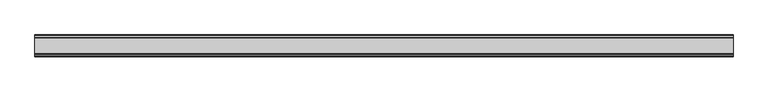
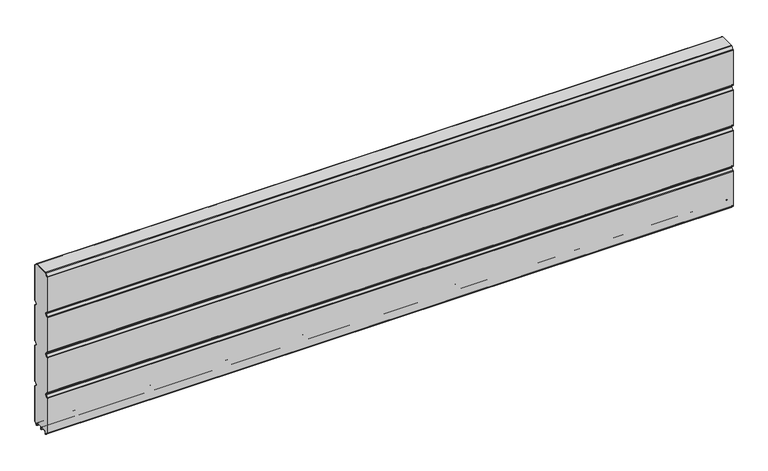
"""IFC4 building model written with IfcOpenShell, lengths in millimetres: plate geometry."""

from ifc_helpers import new_model, si_unit, point, frame, frame_2d, origin, place, context, project, spatial, polyline, circle_curve, trimmed, segment, composite_curve, outline, extrude, source, transform, mapped, element, save


def plate_6662d83f(model_context):
    return source(origin(), model_context, "Body", "SweptSolid", [
        extrude(outline(composite_curve([segment(polyline([(-29.2650466, 451.7624879), (-35.7138292, 458.2112702)]), True, "CONTINUOUS"), segment(trimmed(circle_curve(frame_2d((-34.2991913, 459.6259081)), 2.0006001), [point((-35.7138292, 458.2112702))], [point((-36.2997914, 459.6259081))], False, "CARTESIAN"), True, "CONTINUOUS"), segment(polyline([(-36.2997914, 459.6259081), (-36.2997914, 588.874925)]), True, "CONTINUOUS"), segment(trimmed(circle_curve(frame_2d((-34.3025404, 588.8763112)), 1.9972515), [point((-36.2997914, 588.874925))], [point((-35.7145328, 590.2888589))], False, "CARTESIAN"), True, "CONTINUOUS"), segment(polyline([(-35.7145328, 590.2888589), (-27.7860861, 598.2141893)]), True, "CONTINUOUS"), segment(trimmed(circle_curve(frame_2d((-26.3717262, 596.7992733)), 2.0006002), [point((-27.7860861, 598.2141893))], [point((-26.3717262, 598.7998734))], False, "CARTESIAN"), True, "CONTINUOUS"), segment(polyline([(-26.3717262, 598.7998734), (26.3717262, 598.7998734)]), True, "CONTINUOUS"), segment(trimmed(circle_curve(frame_2d((26.3717262, 596.7992733)), 2.0006002), [point((26.3717262, 598.7998734))], [point((27.7860861, 598.2141893))], False, "CARTESIAN"), True, "CONTINUOUS"), segment(polyline([(27.7860861, 598.2141893), (35.7145328, 590.2888589)]), True, "CONTINUOUS"), segment(trimmed(circle_curve(frame_2d((34.3025404, 588.8763112)), 1.9972515), [point((35.7145328, 590.2888589))], [point((36.2997914, 588.874925))], False, "CARTESIAN"), True, "CONTINUOUS"), segment(polyline([(36.2997914, 588.874925), (36.2997914, 459.6259081)]), True, "CONTINUOUS"), segment(trimmed(circle_curve(frame_2d((34.2991913, 459.6259081)), 2.0006001), [point((36.2997914, 459.6259081))], [point((35.7138292, 458.2112702))], False, "CARTESIAN"), True, "CONTINUOUS"), segment(polyline([(35.7138292, 458.2112702), (29.2650466, 451.7624879)]), True, "CONTINUOUS"), segment(trimmed(circle_curve(frame_2d((31.5325895, 449.4949449)), 3.20679), [point((29.2650466, 451.7624879))], [point((29.114664, 447.3884934))], True, "CARTESIAN"), True, "CONTINUOUS"), segment(polyline([(29.114664, 447.3884934), (35.7138291, 440.7893285)]), True, "CONTINUOUS"), segment(trimmed(circle_curve(frame_2d((34.2991912, 439.3746906)), 2.0006001), [point((35.7138291, 440.7893285))], [point((36.2997913, 439.3746906))], False, "CARTESIAN"), True, "CONTINUOUS"), segment(polyline([(36.2997913, 439.3746906), (36.2997913, 309.6259081)]), True, "CONTINUOUS"), segment(trimmed(circle_curve(frame_2d((34.2991912, 309.6259081)), 2.0006001), [point((36.2997913, 309.6259081))], [point((35.7138291, 308.2112702))], False, "CARTESIAN"), True, "CONTINUOUS"), segment(polyline([(35.7138291, 308.2112702), (29.2650466, 301.7624879)]), True, "CONTINUOUS"), segment(trimmed(circle_curve(frame_2d((31.5325895, 299.4949449)), 3.20679), [point((29.2650466, 301.7624879))], [point((29.4261379, 297.0770195))], True, "CARTESIAN"), True, "CONTINUOUS"), segment(polyline([(29.4261379, 297.0770195), (35.7138291, 290.7893285)]), True, "CONTINUOUS"), segment(trimmed(circle_curve(frame_2d((34.2991912, 289.3746906)), 2.0006001), [point((35.7138291, 290.7893285))], [point((36.2997913, 289.3746906))], False, "CARTESIAN"), True, "CONTINUOUS"), segment(polyline([(36.2997913, 289.3746906), (36.2997913, 159.6246474)]), True, "CONTINUOUS"), segment(trimmed(circle_curve(frame_2d((34.2991912, 159.6246474)), 2.0006001), [point((36.2997913, 159.6246474))], [point((35.7138291, 158.2100095))], False, "CARTESIAN"), True, "CONTINUOUS"), segment(polyline([(35.7138291, 158.2100095), (29.2650466, 151.7612271)]), True, "CONTINUOUS"), segment(trimmed(circle_curve(frame_2d((31.5325895, 149.4936842)), 3.20679), [point((29.2650466, 151.7612271))], [point((29.114664, 147.3872326))], True, "CARTESIAN"), True, "CONTINUOUS"), segment(polyline([(29.114664, 147.3872326), (35.7138292, 140.7880678)]), True, "CONTINUOUS"), segment(trimmed(circle_curve(frame_2d((34.2991912, 139.3734299)), 2.0006001), [point((35.7138292, 140.7880678))], [point((36.2997914, 139.3734299))], False, "CARTESIAN"), True, "CONTINUOUS"), segment(polyline([(36.2997914, 139.3734299), (36.2997914, 10.1250796)]), True, "CONTINUOUS"), segment(trimmed(circle_curve(frame_2d((34.299192, 10.1250796)), 2.0005994), [point((36.2997914, 10.1250796))], [point((35.7138294, 8.7104422))], False, "CARTESIAN"), True, "CONTINUOUS"), segment(polyline([(35.7138294, 8.7104422), (28.7893255, 1.7859383)]), True, "CONTINUOUS"), segment(trimmed(circle_curve(frame_2d((27.3158157, 3.2594482)), 2.0838576), [point((28.7893255, 1.7859383))], [point((25.2327947, 3.2004014))], False, "CARTESIAN"), True, "CONTINUOUS"), segment(polyline([(25.2327947, 3.2004014), (25.2327947, 7.9999453)]), True, "CONTINUOUS"), segment(trimmed(circle_curve(frame_2d((22.0323933, 7.9999453)), 3.2004014), [point((25.2327947, 7.9999453))], [point((22.0323933, 11.2003467))], True, "CARTESIAN"), True, "CONTINUOUS"), segment(polyline([(22.0323933, 11.2003467), (3.1993432, 11.2003467)]), True, "CONTINUOUS"), segment(trimmed(circle_curve(frame_2d((3.1993432, 8.0010035)), 3.1993432), [point((3.1993432, 11.2003467))], [point((0.0, 8.0010035))], True, "CARTESIAN"), True, "CONTINUOUS"), segment(trimmed(circle_curve(frame_2d((-3.1993432, 8.0010035)), 3.1993432), [point((0.0, 8.0010035))], [point((-3.1993432, 11.2003467))], True, "CARTESIAN"), True, "CONTINUOUS"), segment(polyline([(-3.1993432, 11.2003467), (-22.0323933, 11.2003467)]), True, "CONTINUOUS"), segment(trimmed(circle_curve(frame_2d((-22.0323933, 7.9999453)), 3.2004014), [point((-22.0323933, 11.2003467))], [point((-25.2327947, 7.9999453))], True, "CARTESIAN"), True, "CONTINUOUS"), segment(polyline([(-25.2327947, 7.9999453), (-25.2327947, 3.2004014)]), True, "CONTINUOUS"), segment(trimmed(circle_curve(frame_2d((-27.3158157, 3.2594482)), 2.0838576), [point((-25.2327947, 3.2004014))], [point((-28.7893255, 1.7859383))], False, "CARTESIAN"), True, "CONTINUOUS"), segment(polyline([(-28.7893255, 1.7859383), (-35.7138294, 8.7104422)]), True, "CONTINUOUS"), segment(trimmed(circle_curve(frame_2d((-34.299192, 10.1250796)), 2.0005994), [point((-35.7138294, 8.7104422))], [point((-36.2997914, 10.1250796))], False, "CARTESIAN"), True, "CONTINUOUS"), segment(polyline([(-36.2997914, 10.1250796), (-36.2997914, 139.3734299)]), True, "CONTINUOUS"), segment(trimmed(circle_curve(frame_2d((-34.2991912, 139.3734299)), 2.0006001), [point((-36.2997914, 139.3734299))], [point((-35.7138292, 140.7880678))], False, "CARTESIAN"), True, "CONTINUOUS"), segment(polyline([(-35.7138292, 140.7880678), (-29.114664, 147.3872326)]), True, "CONTINUOUS"), segment(trimmed(circle_curve(frame_2d((-31.5325895, 149.4936842)), 3.20679), [point((-29.114664, 147.3872326))], [point((-29.2650466, 151.7612271))], True, "CARTESIAN"), True, "CONTINUOUS"), segment(polyline([(-29.2650466, 151.7612271), (-35.7138291, 158.2100095)]), True, "CONTINUOUS"), segment(trimmed(circle_curve(frame_2d((-34.2991912, 159.6246474)), 2.0006001), [point((-35.7138291, 158.2100095))], [point((-36.2997913, 159.6246474))], False, "CARTESIAN"), True, "CONTINUOUS"), segment(polyline([(-36.2997913, 159.6246474), (-36.2997913, 289.3746906)]), True, "CONTINUOUS"), segment(trimmed(circle_curve(frame_2d((-34.2991912, 289.3746906)), 2.0006001), [point((-36.2997913, 289.3746906))], [point((-35.7138291, 290.7893285))], False, "CARTESIAN"), True, "CONTINUOUS"), segment(polyline([(-35.7138291, 290.7893285), (-29.4261379, 297.0770195)]), True, "CONTINUOUS"), segment(trimmed(circle_curve(frame_2d((-31.5325895, 299.4949449)), 3.20679), [point((-29.4261379, 297.0770195))], [point((-29.2650466, 301.7624879))], True, "CARTESIAN"), True, "CONTINUOUS"), segment(polyline([(-29.2650466, 301.7624879), (-35.7138291, 308.2112702)]), True, "CONTINUOUS"), segment(trimmed(circle_curve(frame_2d((-34.2991912, 309.6259081)), 2.0006001), [point((-35.7138291, 308.2112702))], [point((-36.2997913, 309.6259081))], False, "CARTESIAN"), True, "CONTINUOUS"), segment(polyline([(-36.2997913, 309.6259081), (-36.2997913, 439.3746906)]), True, "CONTINUOUS"), segment(trimmed(circle_curve(frame_2d((-34.2991912, 439.3746906)), 2.0006001), [point((-36.2997913, 439.3746906))], [point((-35.7138291, 440.7893285))], False, "CARTESIAN"), True, "CONTINUOUS"), segment(polyline([(-35.7138291, 440.7893285), (-29.114664, 447.3884934)]), True, "CONTINUOUS"), segment(trimmed(circle_curve(frame_2d((-31.5325895, 449.4949449)), 3.20679), [point((-29.114664, 447.3884934))], [point((-29.2650466, 451.7624879))], True, "CARTESIAN"), True, "CONTINUOUS")], self_intersect=False)), frame((-1205.0558, 0.0, 0.0), z_axis=(1.0, 0.0, 0.0), x_axis=(0.0, 1.0, 0.0)), (0.0, 0.0, 1.0), 2410.1116),
        extrude(outline(composite_curve([segment(trimmed(circle_curve(frame_2d((-34.299418, 588.8742584)), 3.200524), [point((-37.499942, 588.8742584))], [point((-36.5622582, 591.1376426))], False, "CARTESIAN"), True, "CONTINUOUS"), segment(polyline([(-36.5622582, 591.1376426), (-28.6355395, 599.0624563)]), True, "CONTINUOUS"), segment(trimmed(circle_curve(frame_2d((-26.3720296, 596.7984023)), 3.2014711), [point((-28.6355395, 599.0624563))], [point((-26.3720296, 599.9998734))], False, "CARTESIAN"), True, "CONTINUOUS"), segment(polyline([(-26.3720296, 599.9998734), (26.3720296, 599.9998734)]), True, "CONTINUOUS"), segment(trimmed(circle_curve(frame_2d((26.3720296, 596.7984023)), 3.2014711), [point((26.3720296, 599.9998734))], [point((28.6355395, 599.0624563))], False, "CARTESIAN"), True, "CONTINUOUS"), segment(polyline([(28.6355395, 599.0624563), (36.5622582, 591.1376426)]), True, "CONTINUOUS"), segment(trimmed(circle_curve(frame_2d((34.299418, 588.8742584)), 3.200524), [point((36.5622582, 591.1376426))], [point((37.499942, 588.8742584))], False, "CARTESIAN"), True, "CONTINUOUS"), segment(polyline([(37.499942, 588.8742584), (37.499942, 459.6259081)]), True, "CONTINUOUS"), segment(trimmed(circle_curve(frame_2d((34.3010265, 459.6259081)), 3.1989155), [point((37.499942, 459.6259081))], [point((36.5630013, 457.3639333))], False, "CARTESIAN"), True, "CONTINUOUS"), segment(polyline([(36.5630013, 457.3639333), (30.1138303, 450.9147625)]), True, "CONTINUOUS"), segment(trimmed(circle_curve(frame_2d((31.5282934, 449.5002993)), 2.000353), [point((30.1138303, 450.9147625))], [point((30.1138303, 448.0858362))], True, "CARTESIAN"), True, "CONTINUOUS"), segment(polyline([(30.1138303, 448.0858362), (36.5630013, 441.6366654)]), True, "CONTINUOUS"), segment(trimmed(circle_curve(frame_2d((34.3010265, 439.3746906)), 3.1989154), [point((36.5630013, 441.6366654))], [point((37.4999419, 439.3746906))], False, "CARTESIAN"), True, "CONTINUOUS"), segment(polyline([(37.4999419, 439.3746906), (37.4999419, 309.6259081)]), True, "CONTINUOUS"), segment(trimmed(circle_curve(frame_2d((34.3010265, 309.6259081)), 3.1989154), [point((37.4999419, 309.6259081))], [point((36.5630013, 307.3639333))], False, "CARTESIAN"), True, "CONTINUOUS"), segment(polyline([(36.5630013, 307.3639333), (30.1138303, 300.9147625)]), True, "CONTINUOUS"), segment(trimmed(circle_curve(frame_2d((31.5282934, 299.5002993)), 2.000353), [point((30.1138303, 300.9147625))], [point((30.1138303, 298.0858362))], True, "CARTESIAN"), True, "CONTINUOUS"), segment(polyline([(30.1138303, 298.0858362), (36.5630013, 291.6366654)]), True, "CONTINUOUS"), segment(trimmed(circle_curve(frame_2d((34.3010265, 289.3746906)), 3.1989154), [point((36.5630013, 291.6366654))], [point((37.4999419, 289.3746906))], False, "CARTESIAN"), True, "CONTINUOUS"), segment(polyline([(37.4999419, 289.3746906), (37.4999419, 159.6246474)]), True, "CONTINUOUS"), segment(trimmed(circle_curve(frame_2d((34.3010265, 159.6246474)), 3.1989154), [point((37.4999419, 159.6246474))], [point((36.5630013, 157.3626726))], False, "CARTESIAN"), True, "CONTINUOUS"), segment(polyline([(36.5630013, 157.3626726), (30.1138303, 150.9135018)]), True, "CONTINUOUS"), segment(trimmed(circle_curve(frame_2d((31.5282934, 149.4990386)), 2.000353), [point((30.1138303, 150.9135018))], [point((30.1138303, 148.0845755))], True, "CARTESIAN"), True, "CONTINUOUS"), segment(polyline([(30.1138303, 148.0845755), (36.5630013, 141.6354046)]), True, "CONTINUOUS"), segment(trimmed(circle_curve(frame_2d((34.3010265, 139.3734298)), 3.1989154), [point((36.5630013, 141.6354046))], [point((37.4999419, 139.3734298))], False, "CARTESIAN"), True, "CONTINUOUS"), segment(polyline([(37.4999419, 139.3734298), (37.4999419, 10.1250796)]), True, "CONTINUOUS"), segment(trimmed(circle_curve(frame_2d((34.3010265, 10.1250796)), 3.1989154), [point((37.4999419, 10.1250796))], [point((36.5630004, 7.8631039))], False, "CARTESIAN"), True, "CONTINUOUS"), segment(polyline([(36.5630004, 7.8631039), (29.6332576, 0.9333666)]), True, "CONTINUOUS"), segment(trimmed(circle_curve(frame_2d((27.311397, 3.255229)), 3.283608), [point((29.6332576, 0.9333666))], [point((24.0283217, 3.1960843))], False, "CARTESIAN"), True, "CONTINUOUS"), segment(polyline([(24.0283217, 3.1960843), (24.0326442, 7.9999453)]), True, "CONTINUOUS"), segment(trimmed(circle_curve(frame_2d((22.0341915, 8.0017435)), 1.9984535), [point((24.0326442, 7.9999453))], [point((22.0323933, 10.0001962))], True, "CARTESIAN"), True, "CONTINUOUS"), segment(polyline([(22.0323933, 10.0001962), (3.1993432, 10.0001962)]), True, "CONTINUOUS"), segment(trimmed(circle_curve(frame_2d((3.1993432, 8.0010035)), 1.9991927), [point((3.1993432, 10.0001962))], [point((1.2001505, 8.0010035))], True, "CARTESIAN"), True, "CONTINUOUS"), segment(polyline([(1.2001505, 8.0010035), (1.2001504, 0.0), (0.0, 0.0), (-1.2001504, 0.0), (-1.2001504, 8.0010034)]), True, "CONTINUOUS"), segment(trimmed(circle_curve(frame_2d((-3.1993432, 8.0010035)), 1.9991928), [point((-1.2001504, 8.0010034))], [point((-3.1993432, 10.0001963))], True, "CARTESIAN"), True, "CONTINUOUS"), segment(polyline([(-3.1993432, 10.0001963), (-22.0323933, 10.0001962)]), True, "CONTINUOUS"), segment(trimmed(circle_curve(frame_2d((-22.0341915, 8.0017435)), 1.9984535), [point((-22.0323933, 10.0001962))], [point((-24.0326442, 7.9999453))], True, "CARTESIAN"), True, "CONTINUOUS"), segment(polyline([(-24.0326442, 7.9999453), (-24.0283217, 3.1960843)]), True, "CONTINUOUS"), segment(trimmed(circle_curve(frame_2d((-27.311397, 3.255229)), 3.283608), [point((-24.0283217, 3.1960843))], [point((-29.6332576, 0.9333666))], False, "CARTESIAN"), True, "CONTINUOUS"), segment(polyline([(-29.6332576, 0.9333666), (-36.5630004, 7.8631039)]), True, "CONTINUOUS"), segment(trimmed(circle_curve(frame_2d((-34.3010265, 10.1250796)), 3.1989154), [point((-36.5630004, 7.8631039))], [point((-37.4999419, 10.1250796))], False, "CARTESIAN"), True, "CONTINUOUS"), segment(polyline([(-37.4999419, 10.1250796), (-37.4999419, 139.3734298)]), True, "CONTINUOUS"), segment(trimmed(circle_curve(frame_2d((-34.3010265, 139.3734298)), 3.1989154), [point((-37.4999419, 139.3734298))], [point((-36.5630013, 141.6354046))], False, "CARTESIAN"), True, "CONTINUOUS"), segment(polyline([(-36.5630013, 141.6354046), (-30.1138303, 148.0845755)]), True, "CONTINUOUS"), segment(trimmed(circle_curve(frame_2d((-31.5282934, 149.4990386)), 2.000353), [point((-30.1138303, 148.0845755))], [point((-30.1138303, 150.9135018))], True, "CARTESIAN"), True, "CONTINUOUS"), segment(polyline([(-30.1138303, 150.9135018), (-36.5630013, 157.3626726)]), True, "CONTINUOUS"), segment(trimmed(circle_curve(frame_2d((-34.3010265, 159.6246474)), 3.1989154), [point((-36.5630013, 157.3626726))], [point((-37.4999419, 159.6246474))], False, "CARTESIAN"), True, "CONTINUOUS"), segment(polyline([(-37.4999419, 159.6246474), (-37.4999419, 289.3746906)]), True, "CONTINUOUS"), segment(trimmed(circle_curve(frame_2d((-34.3010265, 289.3746906)), 3.1989154), [point((-37.4999419, 289.3746906))], [point((-36.5630013, 291.6366653))], False, "CARTESIAN"), True, "CONTINUOUS"), segment(polyline([(-36.5630013, 291.6366653), (-30.1138303, 298.0858362)]), True, "CONTINUOUS"), segment(trimmed(circle_curve(frame_2d((-31.5282934, 299.5002993)), 2.000353), [point((-30.1138303, 298.0858362))], [point((-30.1138303, 300.9147625))], True, "CARTESIAN"), True, "CONTINUOUS"), segment(polyline([(-30.1138303, 300.9147625), (-36.5630013, 307.3639333)]), True, "CONTINUOUS"), segment(trimmed(circle_curve(frame_2d((-34.3010265, 309.6259081)), 3.1989154), [point((-36.5630013, 307.3639333))], [point((-37.4999419, 309.6259081))], False, "CARTESIAN"), True, "CONTINUOUS"), segment(polyline([(-37.4999419, 309.6259081), (-37.4999419, 439.3746906)]), True, "CONTINUOUS"), segment(trimmed(circle_curve(frame_2d((-34.3010265, 439.3746906)), 3.1989154), [point((-37.4999419, 439.3746906))], [point((-36.5630013, 441.6366653))], False, "CARTESIAN"), True, "CONTINUOUS"), segment(polyline([(-36.5630013, 441.6366653), (-30.1138303, 448.0858362)]), True, "CONTINUOUS"), segment(trimmed(circle_curve(frame_2d((-31.5282934, 449.5002993)), 2.000353), [point((-30.1138303, 448.0858362))], [point((-30.1138303, 450.9147625))], True, "CARTESIAN"), True, "CONTINUOUS"), segment(polyline([(-30.1138303, 450.9147625), (-36.5630013, 457.3639333)]), True, "CONTINUOUS"), segment(trimmed(circle_curve(frame_2d((-34.3010265, 459.6259081)), 3.1989155), [point((-36.5630013, 457.3639333))], [point((-37.499942, 459.6259081))], False, "CARTESIAN"), True, "CONTINUOUS"), segment(polyline([(-37.499942, 459.6259081), (-37.499942, 588.8742584)]), True, "CONTINUOUS")], self_intersect=False), holes=[composite_curve([segment(trimmed(circle_curve(frame_2d((-31.5325895, 449.4949449)), 3.20679), [point((-29.2650466, 451.7624879))], [point((-29.114664, 447.3884934))], False, "CARTESIAN"), True, "CONTINUOUS"), segment(polyline([(-29.114664, 447.3884934), (-35.7138291, 440.7893285)]), True, "CONTINUOUS"), segment(trimmed(circle_curve(frame_2d((-34.2991912, 439.3746906)), 2.0006001), [point((-35.7138291, 440.7893285))], [point((-36.2997913, 439.3746906))], True, "CARTESIAN"), True, "CONTINUOUS"), segment(polyline([(-36.2997913, 439.3746906), (-36.2997913, 309.6259081)]), True, "CONTINUOUS"), segment(trimmed(circle_curve(frame_2d((-34.2991912, 309.6259081)), 2.0006001), [point((-36.2997913, 309.6259081))], [point((-35.7138291, 308.2112702))], True, "CARTESIAN"), True, "CONTINUOUS"), segment(polyline([(-35.7138291, 308.2112702), (-29.2650466, 301.7624879)]), True, "CONTINUOUS"), segment(trimmed(circle_curve(frame_2d((-31.5325895, 299.4949449)), 3.20679), [point((-29.2650466, 301.7624879))], [point((-29.4261379, 297.0770195))], False, "CARTESIAN"), True, "CONTINUOUS"), segment(polyline([(-29.4261379, 297.0770195), (-35.7138291, 290.7893285)]), True, "CONTINUOUS"), segment(trimmed(circle_curve(frame_2d((-34.2991912, 289.3746906)), 2.0006001), [point((-35.7138291, 290.7893285))], [point((-36.2997913, 289.3746906))], True, "CARTESIAN"), True, "CONTINUOUS"), segment(polyline([(-36.2997913, 289.3746906), (-36.2997913, 159.6246474)]), True, "CONTINUOUS"), segment(trimmed(circle_curve(frame_2d((-34.2991912, 159.6246474)), 2.0006001), [point((-36.2997913, 159.6246474))], [point((-35.7138291, 158.2100095))], True, "CARTESIAN"), True, "CONTINUOUS"), segment(polyline([(-35.7138291, 158.2100095), (-29.2650466, 151.7612271)]), True, "CONTINUOUS"), segment(trimmed(circle_curve(frame_2d((-31.5325895, 149.4936842)), 3.20679), [point((-29.2650466, 151.7612271))], [point((-29.114664, 147.3872326))], False, "CARTESIAN"), True, "CONTINUOUS"), segment(polyline([(-29.114664, 147.3872326), (-35.7138292, 140.7880677)]), True, "CONTINUOUS"), segment(trimmed(circle_curve(frame_2d((-34.2991912, 139.3734298)), 2.0006001), [point((-35.7138292, 140.7880677))], [point((-36.2997914, 139.3734298))], True, "CARTESIAN"), True, "CONTINUOUS"), segment(polyline([(-36.2997914, 139.3734298), (-36.2997914, 10.1250796)]), True, "CONTINUOUS"), segment(trimmed(circle_curve(frame_2d((-34.299192, 10.1250796)), 2.0005994), [point((-36.2997914, 10.1250796))], [point((-35.7138294, 8.7104422))], True, "CARTESIAN"), True, "CONTINUOUS"), segment(polyline([(-35.7138294, 8.7104422), (-28.7893255, 1.7859383)]), True, "CONTINUOUS"), segment(trimmed(circle_curve(frame_2d((-27.3158157, 3.2594482)), 2.0838576), [point((-28.7893255, 1.7859383))], [point((-25.2327947, 3.2004014))], True, "CARTESIAN"), True, "CONTINUOUS"), segment(polyline([(-25.2327947, 3.2004014), (-25.2327947, 7.9999453)]), True, "CONTINUOUS"), segment(trimmed(circle_curve(frame_2d((-22.0323933, 7.9999453)), 3.2004014), [point((-25.2327947, 7.9999453))], [point((-22.0323933, 11.2003467))], False, "CARTESIAN"), True, "CONTINUOUS"), segment(polyline([(-22.0323933, 11.2003467), (-3.1993432, 11.2003467)]), True, "CONTINUOUS"), segment(trimmed(circle_curve(frame_2d((-3.1993432, 8.0010035)), 3.1993432), [point((-3.1993432, 11.2003467))], [point((0.0, 8.0010035))], False, "CARTESIAN"), True, "CONTINUOUS"), segment(trimmed(circle_curve(frame_2d((3.1993432, 8.0010035)), 3.1993432), [point((0.0, 8.0010035))], [point((3.1993432, 11.2003467))], False, "CARTESIAN"), True, "CONTINUOUS"), segment(polyline([(3.1993432, 11.2003467), (22.0323933, 11.2003467)]), True, "CONTINUOUS"), segment(trimmed(circle_curve(frame_2d((22.0323933, 7.9999453)), 3.2004014), [point((22.0323933, 11.2003467))], [point((25.2327947, 7.9999453))], False, "CARTESIAN"), True, "CONTINUOUS"), segment(polyline([(25.2327947, 7.9999453), (25.2327947, 3.2004014)]), True, "CONTINUOUS"), segment(trimmed(circle_curve(frame_2d((27.3158157, 3.2594482)), 2.0838576), [point((25.2327947, 3.2004014))], [point((28.7893255, 1.7859383))], True, "CARTESIAN"), True, "CONTINUOUS"), segment(polyline([(28.7893255, 1.7859383), (35.7138294, 8.7104422)]), True, "CONTINUOUS"), segment(trimmed(circle_curve(frame_2d((34.299192, 10.1250796)), 2.0005994), [point((35.7138294, 8.7104422))], [point((36.2997914, 10.1250796))], True, "CARTESIAN"), True, "CONTINUOUS"), segment(polyline([(36.2997914, 10.1250796), (36.2997914, 139.3734298)]), True, "CONTINUOUS"), segment(trimmed(circle_curve(frame_2d((34.2991912, 139.3734298)), 2.0006001), [point((36.2997914, 139.3734298))], [point((35.7138292, 140.7880678))], True, "CARTESIAN"), True, "CONTINUOUS"), segment(polyline([(35.7138292, 140.7880678), (29.114664, 147.3872326)]), True, "CONTINUOUS"), segment(trimmed(circle_curve(frame_2d((31.5325895, 149.4936842)), 3.20679), [point((29.114664, 147.3872326))], [point((29.2650466, 151.7612271))], False, "CARTESIAN"), True, "CONTINUOUS"), segment(polyline([(29.2650466, 151.7612271), (35.7138291, 158.2100095)]), True, "CONTINUOUS"), segment(trimmed(circle_curve(frame_2d((34.2991912, 159.6246474)), 2.0006001), [point((35.7138291, 158.2100095))], [point((36.2997913, 159.6246474))], True, "CARTESIAN"), True, "CONTINUOUS"), segment(polyline([(36.2997913, 159.6246474), (36.2997913, 289.3746906)]), True, "CONTINUOUS"), segment(trimmed(circle_curve(frame_2d((34.2991912, 289.3746906)), 2.0006001), [point((36.2997913, 289.3746906))], [point((35.7138291, 290.7893285))], True, "CARTESIAN"), True, "CONTINUOUS"), segment(polyline([(35.7138291, 290.7893285), (29.4261379, 297.0770195)]), True, "CONTINUOUS"), segment(trimmed(circle_curve(frame_2d((31.5325895, 299.4949449)), 3.20679), [point((29.4261379, 297.0770195))], [point((29.2650466, 301.7624879))], False, "CARTESIAN"), True, "CONTINUOUS"), segment(polyline([(29.2650466, 301.7624879), (35.7138291, 308.2112702)]), True, "CONTINUOUS"), segment(trimmed(circle_curve(frame_2d((34.2991912, 309.6259081)), 2.0006001), [point((35.7138291, 308.2112702))], [point((36.2997913, 309.6259081))], True, "CARTESIAN"), True, "CONTINUOUS"), segment(polyline([(36.2997913, 309.6259081), (36.2997913, 439.3746906)]), True, "CONTINUOUS"), segment(trimmed(circle_curve(frame_2d((34.2991912, 439.3746906)), 2.0006001), [point((36.2997913, 439.3746906))], [point((35.7138291, 440.7893285))], True, "CARTESIAN"), True, "CONTINUOUS"), segment(polyline([(35.7138291, 440.7893285), (29.114664, 447.3884934)]), True, "CONTINUOUS"), segment(trimmed(circle_curve(frame_2d((31.5325895, 449.4949449)), 3.20679), [point((29.114664, 447.3884934))], [point((29.2650466, 451.7624879))], False, "CARTESIAN"), True, "CONTINUOUS"), segment(polyline([(29.2650466, 451.7624879), (35.7138292, 458.2112702)]), True, "CONTINUOUS"), segment(trimmed(circle_curve(frame_2d((34.2991913, 459.6259081)), 2.0006001), [point((35.7138292, 458.2112702))], [point((36.2997914, 459.6259081))], True, "CARTESIAN"), True, "CONTINUOUS"), segment(polyline([(36.2997914, 459.6259081), (36.2997914, 588.874925)]), True, "CONTINUOUS"), segment(trimmed(circle_curve(frame_2d((34.3025404, 588.8763112)), 1.9972515), [point((36.2997914, 588.874925))], [point((35.7145328, 590.2888589))], True, "CARTESIAN"), True, "CONTINUOUS"), segment(polyline([(35.7145328, 590.2888589), (27.7860861, 598.2141893)]), True, "CONTINUOUS"), segment(trimmed(circle_curve(frame_2d((26.3717262, 596.7992733)), 2.0006002), [point((27.7860861, 598.2141893))], [point((26.3717262, 598.7998734))], True, "CARTESIAN"), True, "CONTINUOUS"), segment(polyline([(26.3717262, 598.7998734), (-26.3717262, 598.7998734)]), True, "CONTINUOUS"), segment(trimmed(circle_curve(frame_2d((-26.3717262, 596.7992733)), 2.0006002), [point((-26.3717262, 598.7998734))], [point((-27.7860861, 598.2141893))], True, "CARTESIAN"), True, "CONTINUOUS"), segment(polyline([(-27.7860861, 598.2141893), (-35.7145328, 590.2888589)]), True, "CONTINUOUS"), segment(trimmed(circle_curve(frame_2d((-34.3025404, 588.8763112)), 1.9972515), [point((-35.7145328, 590.2888589))], [point((-36.2997914, 588.874925))], True, "CARTESIAN"), True, "CONTINUOUS"), segment(polyline([(-36.2997914, 588.874925), (-36.2997914, 459.6259081)]), True, "CONTINUOUS"), segment(trimmed(circle_curve(frame_2d((-34.2991913, 459.6259081)), 2.0006001), [point((-36.2997914, 459.6259081))], [point((-35.7138292, 458.2112702))], True, "CARTESIAN"), True, "CONTINUOUS"), segment(polyline([(-35.7138292, 458.2112702), (-29.2650466, 451.7624879)]), True, "CONTINUOUS")], self_intersect=False)]), frame((-1205.0558, 0.0, 0.0), z_axis=(1.0, 0.0, 0.0), x_axis=(0.0, 1.0, 0.0)), (0.0, 0.0, 1.0), 2410.1116),
    ])


if __name__ == "__main__":
    model = new_model("IFC4")
    model_context = context("Model", 3, world=origin())
    ifc_project = project(units=[si_unit("LENGTHUNIT", "METRE", prefix="MILLI")], contexts=[model_context])
    site = spatial("IfcSite", under=ifc_project)
    building = spatial("IfcBuilding", under=site)
    placement = place(None, origin())
    plate_shape = plate_6662d83f(model_context)
    element("IfcPlate", 1, at=placement, inside=building, context=model_context, shape_type="MappedRepresentation", body=[
        mapped(plate_shape, transform((0.0, 0.0, 0.0), x_axis=(1.0, 0.0, 0.0), y_axis=(0.0, 1.0, 0.0), z_axis=(0.0, 0.0, 1.0))),
    ])
    save(model, "model.ifc")
